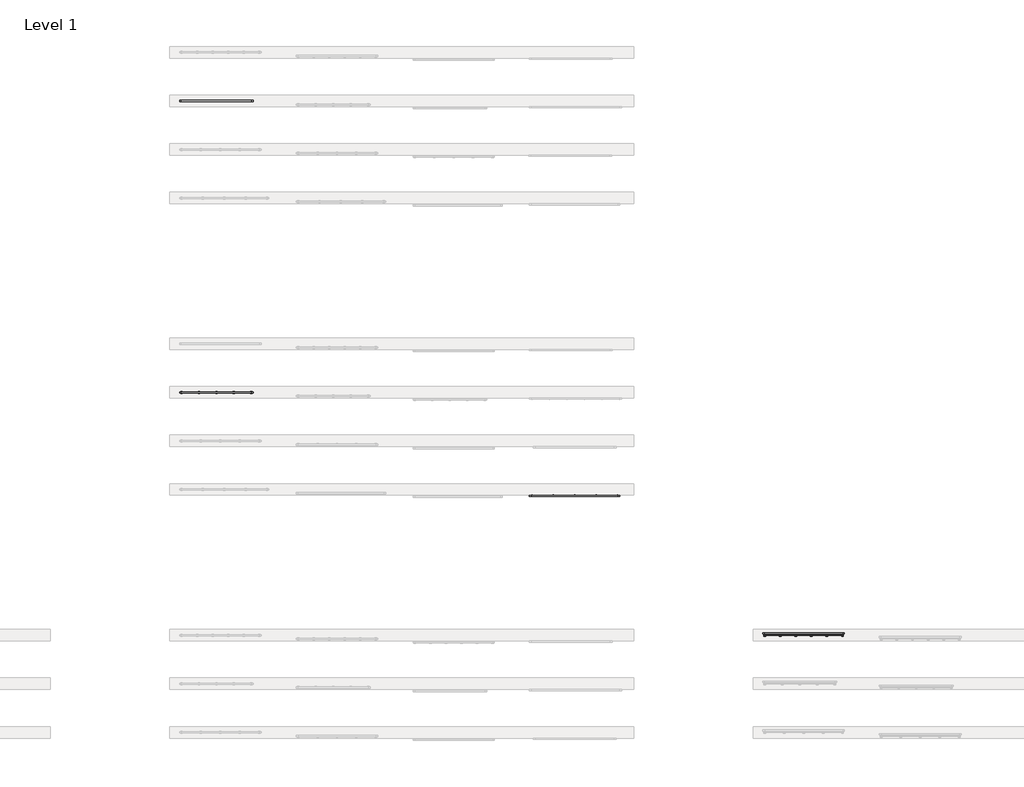
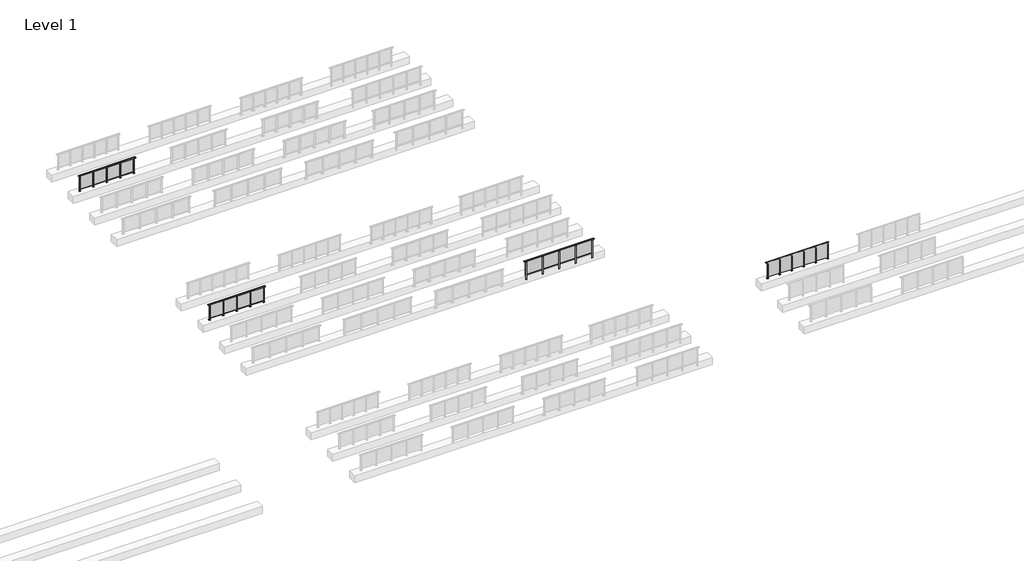
# One storey, part 23 of 37: 4 railings.
"""IFC4 building model written with IfcOpenShell, lengths in millimetres."""

from ifc_helpers import new_model, si_unit, point, frame, frame_2d, origin, origin_with_axes, place, context, project, spatial, polyline, circle_curve, trimmed, segment, composite_curve, outline, extrude, faceted_brep, element, save

model = new_model("IFC4")

# Units and contexts
model_context = context("Model", 3, world=origin())
ifc_project = project(units=[si_unit("LENGTHUNIT", "METRE", prefix="MILLI")], contexts=[model_context])

# Site, building, storey
site = spatial("IfcSite", under=ifc_project)
building = spatial("IfcBuilding", under=site)
storey = spatial("IfcBuildingStorey", under=building, Name="Level 1", Elevation=0.0)

# Railings
placement = place(None, origin())
element("IfcRailing", 1, at=placement, inside=storey, context=model_context, shape_type="SolidModel", body=[
    faceted_brep([(48027.0, 29897.6846828, 1055.0), (48027.0, 29897.6846828, 1100.0), (52427.0, 29897.6846828, 1100.0), (52427.0, 29897.6846828, 1055.0), (48027.0, 29837.6846828, 1055.0), (52427.0, 29837.6846828, 1055.0), (48027.0, 29837.6846828, 1100.0), (52427.0, 29837.6846828, 1100.0), (47899.5, 29897.6846828, 1100.0), (47899.5, 29897.6846828, 1055.0), (47899.5, 29837.6846828, 1055.0), (47899.5, 29837.6846828, 1100.0), (52554.5, 29897.6846828, 1100.0), (52554.5, 29837.6846828, 1100.0), (52554.5, 29837.6846828, 1055.0), (52554.5, 29897.6846828, 1055.0)], [[[0, 1, 2, 3]], [[4, 0, 3, 5]], [[6, 4, 5, 7]], [[1, 6, 7, 2]], [[8, 9, 10, 11]], [[9, 8, 1, 0]], [[10, 9, 0, 4]], [[11, 10, 4, 6]], [[8, 11, 6, 1]], [[12, 13, 14, 15]], [[3, 2, 12, 15]], [[5, 3, 15, 14]], [[7, 5, 14, 13]], [[2, 7, 13, 12]]]),
    extrude(outline(polyline([(48027.0, 29850.1846828), (48027.0, 29885.1846828), (52427.0, 29885.1846828), (52427.0, 29850.1846828), (48027.0, 29850.1846828)])), frame((0.0, 0.0, 95.0), z_axis=(0.0, 0.0, 1.0), x_axis=(1.0, 0.0, 0.0)), (0.0, 0.0, 1.0), 30.0),
    extrude(outline(polyline([(51337.0, 29861.9094929), (51337.0, 29871.9094929), (52417.0, 29871.9094929), (52417.0, 29861.9094929), (51337.0, 29861.9094929)])), frame((0.0, 0.0, 125.0), z_axis=(0.0, 0.0, 1.0), x_axis=(1.0, 0.0, 0.0)), (0.0, 0.0, 1.0), 930.0),
    extrude(outline(polyline([(51349.5, 29900.1846828), (51349.5, 29835.1846828), (51304.5, 29835.1846828), (51304.5, 29900.1846828), (51349.5, 29900.1846828)])), frame((0.0, 0.0, 1027.0), z_axis=(0.0, 0.0, 1.0), x_axis=(1.0, 0.0, 0.0)), (0.0, 0.0, 1.0), 8.0),
    extrude(outline(polyline([(51349.5, 29900.1846828), (51349.5, 29835.1846828), (51304.5, 29835.1846828), (51304.5, 29900.1846828), (51349.5, 29900.1846828)])), frame((0.0, 0.0, -212.0), z_axis=(0.0, 0.0, 1.0), x_axis=(1.0, 0.0, 0.0)), (0.0, 0.0, 1.0), 1239.0),
    extrude(outline(polyline([(51337.0, 29877.6846828), (51337.0, 29857.6846828), (51317.0, 29857.6846828), (51317.0, 29877.6846828), (51337.0, 29877.6846828)])), frame((0.0, 0.0, 1035.0), z_axis=(0.0, 0.0, 1.0), x_axis=(1.0, 0.0, 0.0)), (0.0, 0.0, 1.0), 20.0),
    extrude(outline(polyline([(51349.5, 29900.1846828), (51349.5, 29835.1846828), (51304.5, 29835.1846828), (51304.5, 29900.1846828), (51349.5, 29900.1846828)])), frame((0.0, 0.0, -220.0), z_axis=(0.0, 0.0, 1.0), x_axis=(1.0, 0.0, 0.0)), (0.0, 0.0, 1.0), 8.0),
    extrude(outline(polyline([(50237.0, 29861.9094929), (50237.0, 29871.9094929), (51317.0, 29871.9094929), (51317.0, 29861.9094929), (50237.0, 29861.9094929)])), frame((0.0, 0.0, 125.0), z_axis=(0.0, 0.0, 1.0), x_axis=(1.0, 0.0, 0.0)), (0.0, 0.0, 1.0), 930.0),
    extrude(outline(polyline([(50249.5, 29900.1846828), (50249.5, 29835.1846828), (50204.5, 29835.1846828), (50204.5, 29900.1846828), (50249.5, 29900.1846828)])), frame((0.0, 0.0, 1027.0), z_axis=(0.0, 0.0, 1.0), x_axis=(1.0, 0.0, 0.0)), (0.0, 0.0, 1.0), 8.0),
    extrude(outline(polyline([(50249.5, 29900.1846828), (50249.5, 29835.1846828), (50204.5, 29835.1846828), (50204.5, 29900.1846828), (50249.5, 29900.1846828)])), frame((0.0, 0.0, -212.0), z_axis=(0.0, 0.0, 1.0), x_axis=(1.0, 0.0, 0.0)), (0.0, 0.0, 1.0), 1239.0),
    extrude(outline(polyline([(50237.0, 29877.6846828), (50237.0, 29857.6846828), (50217.0, 29857.6846828), (50217.0, 29877.6846828), (50237.0, 29877.6846828)])), frame((0.0, 0.0, 1035.0), z_axis=(0.0, 0.0, 1.0), x_axis=(1.0, 0.0, 0.0)), (0.0, 0.0, 1.0), 20.0),
    extrude(outline(polyline([(50249.5, 29900.1846828), (50249.5, 29835.1846828), (50204.5, 29835.1846828), (50204.5, 29900.1846828), (50249.5, 29900.1846828)])), frame((0.0, 0.0, -220.0), z_axis=(0.0, 0.0, 1.0), x_axis=(1.0, 0.0, 0.0)), (0.0, 0.0, 1.0), 8.0),
    extrude(outline(polyline([(49137.0, 29861.9094929), (49137.0, 29871.9094929), (50217.0, 29871.9094929), (50217.0, 29861.9094929), (49137.0, 29861.9094929)])), frame((0.0, 0.0, 125.0), z_axis=(0.0, 0.0, 1.0), x_axis=(1.0, 0.0, 0.0)), (0.0, 0.0, 1.0), 930.0),
    extrude(outline(polyline([(49149.5, 29900.1846828), (49149.5, 29835.1846828), (49104.5, 29835.1846828), (49104.5, 29900.1846828), (49149.5, 29900.1846828)])), frame((0.0, 0.0, 1027.0), z_axis=(0.0, 0.0, 1.0), x_axis=(1.0, 0.0, 0.0)), (0.0, 0.0, 1.0), 8.0),
    extrude(outline(polyline([(49149.5, 29900.1846828), (49149.5, 29835.1846828), (49104.5, 29835.1846828), (49104.5, 29900.1846828), (49149.5, 29900.1846828)])), frame((0.0, 0.0, -212.0), z_axis=(0.0, 0.0, 1.0), x_axis=(1.0, 0.0, 0.0)), (0.0, 0.0, 1.0), 1239.0),
    extrude(outline(polyline([(49137.0, 29877.6846828), (49137.0, 29857.6846828), (49117.0, 29857.6846828), (49117.0, 29877.6846828), (49137.0, 29877.6846828)])), frame((0.0, 0.0, 1035.0), z_axis=(0.0, 0.0, 1.0), x_axis=(1.0, 0.0, 0.0)), (0.0, 0.0, 1.0), 20.0),
    extrude(outline(polyline([(49149.5, 29900.1846828), (49149.5, 29835.1846828), (49104.5, 29835.1846828), (49104.5, 29900.1846828), (49149.5, 29900.1846828)])), frame((0.0, 0.0, -220.0), z_axis=(0.0, 0.0, 1.0), x_axis=(1.0, 0.0, 0.0)), (0.0, 0.0, 1.0), 8.0),
    extrude(outline(polyline([(48037.0, 29861.9094929), (48037.0, 29871.9094929), (49117.0, 29871.9094929), (49117.0, 29861.9094929), (48037.0, 29861.9094929)])), frame((0.0, 0.0, 125.0), z_axis=(0.0, 0.0, 1.0), x_axis=(1.0, 0.0, 0.0)), (0.0, 0.0, 1.0), 930.0),
    extrude(outline(polyline([(52449.5, 29900.1846828), (52449.5, 29835.1846828), (52404.5, 29835.1846828), (52404.5, 29900.1846828), (52449.5, 29900.1846828)])), frame((0.0, 0.0, 1027.0), z_axis=(0.0, 0.0, 1.0), x_axis=(1.0, 0.0, 0.0)), (0.0, 0.0, 1.0), 8.0),
    extrude(outline(polyline([(52449.5, 29900.1846828), (52449.5, 29835.1846828), (52404.5, 29835.1846828), (52404.5, 29900.1846828), (52449.5, 29900.1846828)])), frame((0.0, 0.0, -212.0), z_axis=(0.0, 0.0, 1.0), x_axis=(1.0, 0.0, 0.0)), (0.0, 0.0, 1.0), 1239.0),
    extrude(outline(polyline([(52437.0, 29877.6846828), (52437.0, 29857.6846828), (52417.0, 29857.6846828), (52417.0, 29877.6846828), (52437.0, 29877.6846828)])), frame((0.0, 0.0, 1035.0), z_axis=(0.0, 0.0, 1.0), x_axis=(1.0, 0.0, 0.0)), (0.0, 0.0, 1.0), 20.0),
    extrude(outline(polyline([(52449.5, 29900.1846828), (52449.5, 29835.1846828), (52404.5, 29835.1846828), (52404.5, 29900.1846828), (52449.5, 29900.1846828)])), frame((0.0, 0.0, -220.0), z_axis=(0.0, 0.0, 1.0), x_axis=(1.0, 0.0, 0.0)), (0.0, 0.0, 1.0), 8.0),
    extrude(outline(polyline([(48049.5, 29900.1846828), (48049.5, 29835.1846828), (48004.5, 29835.1846828), (48004.5, 29900.1846828), (48049.5, 29900.1846828)])), frame((0.0, 0.0, 1027.0), z_axis=(0.0, 0.0, 1.0), x_axis=(1.0, 0.0, 0.0)), (0.0, 0.0, 1.0), 8.0),
    extrude(outline(polyline([(48049.5, 29900.1846828), (48049.5, 29835.1846828), (48004.5, 29835.1846828), (48004.5, 29900.1846828), (48049.5, 29900.1846828)])), frame((0.0, 0.0, -212.0), z_axis=(0.0, 0.0, 1.0), x_axis=(1.0, 0.0, 0.0)), (0.0, 0.0, 1.0), 1239.0),
    extrude(outline(polyline([(48037.0, 29877.6846828), (48037.0, 29857.6846828), (48017.0, 29857.6846828), (48017.0, 29877.6846828), (48037.0, 29877.6846828)])), frame((0.0, 0.0, 1035.0), z_axis=(0.0, 0.0, 1.0), x_axis=(1.0, 0.0, 0.0)), (0.0, 0.0, 1.0), 20.0),
    extrude(outline(polyline([(48049.5, 29900.1846828), (48049.5, 29835.1846828), (48004.5, 29835.1846828), (48004.5, 29900.1846828), (48049.5, 29900.1846828)])), frame((0.0, 0.0, -220.0), z_axis=(0.0, 0.0, 1.0), x_axis=(1.0, 0.0, 0.0)), (0.0, 0.0, 1.0), 8.0),
])
element("IfcRailing", 2, at=placement, inside=storey, context=model_context, shape_type="SolidModel", body=[
    faceted_brep([(30000.0, 35220.1846828, 1055.0), (30000.0, 35220.1846828, 1100.0), (33600.0, 35220.1846828, 1100.0), (33600.0, 35220.1846828, 1055.0), (30000.0, 35160.1846828, 1055.0), (33600.0, 35160.1846828, 1055.0), (30000.0, 35160.1846828, 1100.0), (33600.0, 35160.1846828, 1100.0), (29900.0, 35220.1846828, 1100.0), (29900.0, 35220.1846828, 1055.0), (29900.0, 35160.1846828, 1055.0), (29900.0, 35160.1846828, 1100.0), (33700.0, 35220.1846828, 1100.0), (33700.0, 35160.1846828, 1100.0), (33700.0, 35160.1846828, 1055.0), (33700.0, 35220.1846828, 1055.0)], [[[0, 1, 2, 3]], [[4, 0, 3, 5]], [[6, 4, 5, 7]], [[1, 6, 7, 2]], [[8, 9, 10, 11]], [[9, 8, 1, 0]], [[10, 9, 0, 4]], [[11, 10, 4, 6]], [[8, 11, 6, 1]], [[12, 13, 14, 15]], [[3, 2, 12, 15]], [[5, 3, 15, 14]], [[7, 5, 14, 13]], [[2, 7, 13, 12]]]),
    extrude(outline(polyline([(30000.0, 35172.6846828), (30000.0, 35207.6846828), (33600.0, 35207.6846828), (33600.0, 35172.6846828), (30000.0, 35172.6846828)])), frame((0.0, 0.0, 95.0), z_axis=(0.0, 0.0, 1.0), x_axis=(1.0, 0.0, 0.0)), (0.0, 0.0, 1.0), 30.0),
    extrude(outline(polyline([(32710.0, 35193.9598727), (33590.0, 35193.9598727), (33590.0, 35183.9598727), (32710.0, 35183.9598727), (32710.0, 35193.9598727)])), frame((0.0, 0.0, 125.0), z_axis=(0.0, 0.0, 1.0), x_axis=(1.0, 0.0, 0.0)), (0.0, 0.0, 1.0), 930.0),
    extrude(outline(polyline([(32710.0, 35180.1846828), (32690.0, 35180.1846828), (32690.0, 35200.1846828), (32710.0, 35200.1846828), (32710.0, 35180.1846828)])), frame((0.0, 0.0, 1035.0), z_axis=(0.0, 0.0, 1.0), x_axis=(1.0, 0.0, 0.0)), (0.0, 0.0, 1.0), 20.0),
    extrude(outline(polyline([(32722.5, 35157.6846828), (32677.5, 35157.6846828), (32677.5, 35222.6846828), (32722.5, 35222.6846828), (32722.5, 35157.6846828)])), frame((0.0, 0.0, 1027.0), z_axis=(0.0, 0.0, 1.0), x_axis=(1.0, 0.0, 0.0)), (0.0, 0.0, 1.0), 8.0),
    extrude(outline(polyline([(32750.0, 35140.1846828), (32650.0, 35140.1846828), (32650.0, 35240.1846828), (32750.0, 35240.1846828), (32750.0, 35140.1846828)])), origin_with_axes(), (0.0, 0.0, 1.0), 12.0),
    extrude(outline(polyline([(32722.5, 35157.6846828), (32677.5, 35157.6846828), (32677.5, 35222.6846828), (32722.5, 35222.6846828), (32722.5, 35157.6846828)])), frame((0.0, 0.0, 12.0), z_axis=(0.0, 0.0, 1.0), x_axis=(1.0, 0.0, 0.0)), (0.0, 0.0, 1.0), 1015.0),
    extrude(outline(polyline([(31810.0, 35193.9598727), (32690.0, 35193.9598727), (32690.0, 35183.9598727), (31810.0, 35183.9598727), (31810.0, 35193.9598727)])), frame((0.0, 0.0, 125.0), z_axis=(0.0, 0.0, 1.0), x_axis=(1.0, 0.0, 0.0)), (0.0, 0.0, 1.0), 930.0),
    extrude(outline(polyline([(31810.0, 35180.1846828), (31790.0, 35180.1846828), (31790.0, 35200.1846828), (31810.0, 35200.1846828), (31810.0, 35180.1846828)])), frame((0.0, 0.0, 1035.0), z_axis=(0.0, 0.0, 1.0), x_axis=(1.0, 0.0, 0.0)), (0.0, 0.0, 1.0), 20.0),
    extrude(outline(polyline([(31822.5, 35157.6846828), (31777.5, 35157.6846828), (31777.5, 35222.6846828), (31822.5, 35222.6846828), (31822.5, 35157.6846828)])), frame((0.0, 0.0, 1027.0), z_axis=(0.0, 0.0, 1.0), x_axis=(1.0, 0.0, 0.0)), (0.0, 0.0, 1.0), 8.0),
    extrude(outline(polyline([(31850.0, 35140.1846828), (31750.0, 35140.1846828), (31750.0, 35240.1846828), (31850.0, 35240.1846828), (31850.0, 35140.1846828)])), origin_with_axes(), (0.0, 0.0, 1.0), 12.0),
    extrude(outline(polyline([(31822.5, 35157.6846828), (31777.5, 35157.6846828), (31777.5, 35222.6846828), (31822.5, 35222.6846828), (31822.5, 35157.6846828)])), frame((0.0, 0.0, 12.0), z_axis=(0.0, 0.0, 1.0), x_axis=(1.0, 0.0, 0.0)), (0.0, 0.0, 1.0), 1015.0),
    extrude(outline(polyline([(30910.0, 35193.9598727), (31790.0, 35193.9598727), (31790.0, 35183.9598727), (30910.0, 35183.9598727), (30910.0, 35193.9598727)])), frame((0.0, 0.0, 125.0), z_axis=(0.0, 0.0, 1.0), x_axis=(1.0, 0.0, 0.0)), (0.0, 0.0, 1.0), 930.0),
    extrude(outline(polyline([(30910.0, 35180.1846828), (30890.0, 35180.1846828), (30890.0, 35200.1846828), (30910.0, 35200.1846828), (30910.0, 35180.1846828)])), frame((0.0, 0.0, 1035.0), z_axis=(0.0, 0.0, 1.0), x_axis=(1.0, 0.0, 0.0)), (0.0, 0.0, 1.0), 20.0),
    extrude(outline(polyline([(30922.5, 35157.6846828), (30877.5, 35157.6846828), (30877.5, 35222.6846828), (30922.5, 35222.6846828), (30922.5, 35157.6846828)])), frame((0.0, 0.0, 1027.0), z_axis=(0.0, 0.0, 1.0), x_axis=(1.0, 0.0, 0.0)), (0.0, 0.0, 1.0), 8.0),
    extrude(outline(polyline([(30950.0, 35140.1846828), (30850.0, 35140.1846828), (30850.0, 35240.1846828), (30950.0, 35240.1846828), (30950.0, 35140.1846828)])), origin_with_axes(), (0.0, 0.0, 1.0), 12.0),
    extrude(outline(polyline([(30922.5, 35157.6846828), (30877.5, 35157.6846828), (30877.5, 35222.6846828), (30922.5, 35222.6846828), (30922.5, 35157.6846828)])), frame((0.0, 0.0, 12.0), z_axis=(0.0, 0.0, 1.0), x_axis=(1.0, 0.0, 0.0)), (0.0, 0.0, 1.0), 1015.0),
    extrude(outline(polyline([(30010.0, 35193.9598727), (30890.0, 35193.9598727), (30890.0, 35183.9598727), (30010.0, 35183.9598727), (30010.0, 35193.9598727)])), frame((0.0, 0.0, 125.0), z_axis=(0.0, 0.0, 1.0), x_axis=(1.0, 0.0, 0.0)), (0.0, 0.0, 1.0), 930.0),
    extrude(outline(polyline([(33610.0, 35180.1846828), (33590.0, 35180.1846828), (33590.0, 35200.1846828), (33610.0, 35200.1846828), (33610.0, 35180.1846828)])), frame((0.0, 0.0, 1035.0), z_axis=(0.0, 0.0, 1.0), x_axis=(1.0, 0.0, 0.0)), (0.0, 0.0, 1.0), 20.0),
    extrude(outline(polyline([(33622.5, 35157.6846828), (33577.5, 35157.6846828), (33577.5, 35222.6846828), (33622.5, 35222.6846828), (33622.5, 35157.6846828)])), frame((0.0, 0.0, 1027.0), z_axis=(0.0, 0.0, 1.0), x_axis=(1.0, 0.0, 0.0)), (0.0, 0.0, 1.0), 8.0),
    extrude(outline(polyline([(33650.0, 35140.1846828), (33550.0, 35140.1846828), (33550.0, 35240.1846828), (33650.0, 35240.1846828), (33650.0, 35140.1846828)])), origin_with_axes(), (0.0, 0.0, 1.0), 12.0),
    extrude(outline(polyline([(33622.5, 35157.6846828), (33577.5, 35157.6846828), (33577.5, 35222.6846828), (33622.5, 35222.6846828), (33622.5, 35157.6846828)])), frame((0.0, 0.0, 12.0), z_axis=(0.0, 0.0, 1.0), x_axis=(1.0, 0.0, 0.0)), (0.0, 0.0, 1.0), 1015.0),
    extrude(outline(polyline([(30010.0, 35180.1846828), (29990.0, 35180.1846828), (29990.0, 35200.1846828), (30010.0, 35200.1846828), (30010.0, 35180.1846828)])), frame((0.0, 0.0, 1035.0), z_axis=(0.0, 0.0, 1.0), x_axis=(1.0, 0.0, 0.0)), (0.0, 0.0, 1.0), 20.0),
    extrude(outline(polyline([(30022.5, 35157.6846828), (29977.5, 35157.6846828), (29977.5, 35222.6846828), (30022.5, 35222.6846828), (30022.5, 35157.6846828)])), frame((0.0, 0.0, 1027.0), z_axis=(0.0, 0.0, 1.0), x_axis=(1.0, 0.0, 0.0)), (0.0, 0.0, 1.0), 8.0),
    extrude(outline(polyline([(30050.0, 35140.1846828), (29950.0, 35140.1846828), (29950.0, 35240.1846828), (30050.0, 35240.1846828), (30050.0, 35140.1846828)])), origin_with_axes(), (0.0, 0.0, 1.0), 12.0),
    extrude(outline(polyline([(30022.5, 35157.6846828), (29977.5, 35157.6846828), (29977.5, 35222.6846828), (30022.5, 35222.6846828), (30022.5, 35157.6846828)])), frame((0.0, 0.0, 12.0), z_axis=(0.0, 0.0, 1.0), x_axis=(1.0, 0.0, 0.0)), (0.0, 0.0, 1.0), 1015.0),
])
element("IfcRailing", 3, at=placement, inside=storey, context=model_context, shape_type="SolidModel", body=[
    faceted_brep([(30000.0, 50220.1846828, 1055.0), (30000.0, 50220.1846828, 1100.0), (33600.0, 50220.1846828, 1100.0), (33600.0, 50220.1846828, 1055.0), (30000.0, 50160.1846828, 1055.0), (33600.0, 50160.1846828, 1055.0), (30000.0, 50160.1846828, 1100.0), (33600.0, 50160.1846828, 1100.0), (29900.0, 50220.1846828, 1100.0), (29900.0, 50220.1846828, 1055.0), (29900.0, 50160.1846828, 1055.0), (29900.0, 50160.1846828, 1100.0), (33700.0, 50220.1846828, 1100.0), (33700.0, 50160.1846828, 1100.0), (33700.0, 50160.1846828, 1055.0), (33700.0, 50220.1846828, 1055.0)], [[[0, 1, 2, 3]], [[4, 0, 3, 5]], [[6, 4, 5, 7]], [[1, 6, 7, 2]], [[8, 9, 10, 11]], [[9, 8, 1, 0]], [[10, 9, 0, 4]], [[11, 10, 4, 6]], [[8, 11, 6, 1]], [[12, 13, 14, 15]], [[3, 2, 12, 15]], [[5, 3, 15, 14]], [[7, 5, 14, 13]], [[2, 7, 13, 12]]]),
    extrude(outline(polyline([(30000.0, 50172.6846828), (30000.0, 50207.6846828), (33600.0, 50207.6846828), (33600.0, 50172.6846828), (30000.0, 50172.6846828)])), frame((0.0, 0.0, 95.0), z_axis=(0.0, 0.0, 1.0), x_axis=(1.0, 0.0, 0.0)), (0.0, 0.0, 1.0), 30.0),
    extrude(outline(polyline([(32772.5, 50191.9598727), (33527.5, 50191.9598727), (33527.5, 50185.9598727), (32772.5, 50185.9598727), (32772.5, 50191.9598727)])), frame((0.0, 0.0, 125.0), z_axis=(0.0, 0.0, 1.0), x_axis=(1.0, 0.0, 0.0)), (0.0, 0.0, 1.0), 930.0),
    extrude(outline(polyline([(32710.0, 50180.1846828), (32690.0, 50180.1846828), (32690.0, 50200.1846828), (32710.0, 50200.1846828), (32710.0, 50180.1846828)])), frame((0.0, 0.0, 1035.0), z_axis=(0.0, 0.0, 1.0), x_axis=(1.0, 0.0, 0.0)), (0.0, 0.0, 1.0), 20.0),
    extrude(outline(polyline([(32722.5, 50157.6846828), (32677.5, 50157.6846828), (32677.5, 50222.6846828), (32722.5, 50222.6846828), (32722.5, 50157.6846828)])), frame((0.0, 0.0, 1027.0), z_axis=(0.0, 0.0, 1.0), x_axis=(1.0, 0.0, 0.0)), (0.0, 0.0, 1.0), 8.0),
    extrude(outline(polyline([(32750.0, 50140.1846828), (32650.0, 50140.1846828), (32650.0, 50240.1846828), (32750.0, 50240.1846828), (32750.0, 50140.1846828)])), origin_with_axes(), (0.0, 0.0, 1.0), 12.0),
    extrude(outline(polyline([(32722.5, 50157.6846828), (32677.5, 50157.6846828), (32677.5, 50222.6846828), (32722.5, 50222.6846828), (32722.5, 50157.6846828)])), frame((0.0, 0.0, 12.0), z_axis=(0.0, 0.0, 1.0), x_axis=(1.0, 0.0, 0.0)), (0.0, 0.0, 1.0), 1015.0),
    extrude(outline(polyline([(31872.5, 50191.9598727), (32627.5, 50191.9598727), (32627.5, 50185.9598727), (31872.5, 50185.9598727), (31872.5, 50191.9598727)])), frame((0.0, 0.0, 125.0), z_axis=(0.0, 0.0, 1.0), x_axis=(1.0, 0.0, 0.0)), (0.0, 0.0, 1.0), 930.0),
    extrude(outline(polyline([(31810.0, 50180.1846828), (31790.0, 50180.1846828), (31790.0, 50200.1846828), (31810.0, 50200.1846828), (31810.0, 50180.1846828)])), frame((0.0, 0.0, 1035.0), z_axis=(0.0, 0.0, 1.0), x_axis=(1.0, 0.0, 0.0)), (0.0, 0.0, 1.0), 20.0),
    extrude(outline(polyline([(31822.5, 50157.6846828), (31777.5, 50157.6846828), (31777.5, 50222.6846828), (31822.5, 50222.6846828), (31822.5, 50157.6846828)])), frame((0.0, 0.0, 1027.0), z_axis=(0.0, 0.0, 1.0), x_axis=(1.0, 0.0, 0.0)), (0.0, 0.0, 1.0), 8.0),
    extrude(outline(polyline([(31850.0, 50140.1846828), (31750.0, 50140.1846828), (31750.0, 50240.1846828), (31850.0, 50240.1846828), (31850.0, 50140.1846828)])), origin_with_axes(), (0.0, 0.0, 1.0), 12.0),
    extrude(outline(polyline([(31822.5, 50157.6846828), (31777.5, 50157.6846828), (31777.5, 50222.6846828), (31822.5, 50222.6846828), (31822.5, 50157.6846828)])), frame((0.0, 0.0, 12.0), z_axis=(0.0, 0.0, 1.0), x_axis=(1.0, 0.0, 0.0)), (0.0, 0.0, 1.0), 1015.0),
    extrude(outline(polyline([(30972.5, 50191.9598727), (31727.5, 50191.9598727), (31727.5, 50185.9598727), (30972.5, 50185.9598727), (30972.5, 50191.9598727)])), frame((0.0, 0.0, 125.0), z_axis=(0.0, 0.0, 1.0), x_axis=(1.0, 0.0, 0.0)), (0.0, 0.0, 1.0), 930.0),
    extrude(outline(polyline([(30910.0, 50180.1846828), (30890.0, 50180.1846828), (30890.0, 50200.1846828), (30910.0, 50200.1846828), (30910.0, 50180.1846828)])), frame((0.0, 0.0, 1035.0), z_axis=(0.0, 0.0, 1.0), x_axis=(1.0, 0.0, 0.0)), (0.0, 0.0, 1.0), 20.0),
    extrude(outline(polyline([(30922.5, 50157.6846828), (30877.5, 50157.6846828), (30877.5, 50222.6846828), (30922.5, 50222.6846828), (30922.5, 50157.6846828)])), frame((0.0, 0.0, 1027.0), z_axis=(0.0, 0.0, 1.0), x_axis=(1.0, 0.0, 0.0)), (0.0, 0.0, 1.0), 8.0),
    extrude(outline(polyline([(30950.0, 50140.1846828), (30850.0, 50140.1846828), (30850.0, 50240.1846828), (30950.0, 50240.1846828), (30950.0, 50140.1846828)])), origin_with_axes(), (0.0, 0.0, 1.0), 12.0),
    extrude(outline(polyline([(30922.5, 50157.6846828), (30877.5, 50157.6846828), (30877.5, 50222.6846828), (30922.5, 50222.6846828), (30922.5, 50157.6846828)])), frame((0.0, 0.0, 12.0), z_axis=(0.0, 0.0, 1.0), x_axis=(1.0, 0.0, 0.0)), (0.0, 0.0, 1.0), 1015.0),
    extrude(outline(polyline([(30072.5, 50191.9598727), (30827.5, 50191.9598727), (30827.5, 50185.9598727), (30072.5, 50185.9598727), (30072.5, 50191.9598727)])), frame((0.0, 0.0, 125.0), z_axis=(0.0, 0.0, 1.0), x_axis=(1.0, 0.0, 0.0)), (0.0, 0.0, 1.0), 930.0),
    extrude(outline(polyline([(33610.0, 50180.1846828), (33590.0, 50180.1846828), (33590.0, 50200.1846828), (33610.0, 50200.1846828), (33610.0, 50180.1846828)])), frame((0.0, 0.0, 1035.0), z_axis=(0.0, 0.0, 1.0), x_axis=(1.0, 0.0, 0.0)), (0.0, 0.0, 1.0), 20.0),
    extrude(outline(polyline([(33622.5, 50157.6846828), (33577.5, 50157.6846828), (33577.5, 50222.6846828), (33622.5, 50222.6846828), (33622.5, 50157.6846828)])), frame((0.0, 0.0, 1027.0), z_axis=(0.0, 0.0, 1.0), x_axis=(1.0, 0.0, 0.0)), (0.0, 0.0, 1.0), 8.0),
    extrude(outline(polyline([(33650.0, 50140.1846828), (33550.0, 50140.1846828), (33550.0, 50240.1846828), (33650.0, 50240.1846828), (33650.0, 50140.1846828)])), origin_with_axes(), (0.0, 0.0, 1.0), 12.0),
    extrude(outline(polyline([(33622.5, 50157.6846828), (33577.5, 50157.6846828), (33577.5, 50222.6846828), (33622.5, 50222.6846828), (33622.5, 50157.6846828)])), frame((0.0, 0.0, 12.0), z_axis=(0.0, 0.0, 1.0), x_axis=(1.0, 0.0, 0.0)), (0.0, 0.0, 1.0), 1015.0),
    extrude(outline(polyline([(30010.0, 50180.1846828), (29990.0, 50180.1846828), (29990.0, 50200.1846828), (30010.0, 50200.1846828), (30010.0, 50180.1846828)])), frame((0.0, 0.0, 1035.0), z_axis=(0.0, 0.0, 1.0), x_axis=(1.0, 0.0, 0.0)), (0.0, 0.0, 1.0), 20.0),
    extrude(outline(polyline([(30022.5, 50157.6846828), (29977.5, 50157.6846828), (29977.5, 50222.6846828), (30022.5, 50222.6846828), (30022.5, 50157.6846828)])), frame((0.0, 0.0, 1027.0), z_axis=(0.0, 0.0, 1.0), x_axis=(1.0, 0.0, 0.0)), (0.0, 0.0, 1.0), 8.0),
    extrude(outline(polyline([(30050.0, 50140.1846828), (29950.0, 50140.1846828), (29950.0, 50240.1846828), (30050.0, 50240.1846828), (30050.0, 50140.1846828)])), origin_with_axes(), (0.0, 0.0, 1.0), 12.0),
    extrude(outline(polyline([(30022.5, 50157.6846828), (29977.5, 50157.6846828), (29977.5, 50222.6846828), (30022.5, 50222.6846828), (30022.5, 50157.6846828)])), frame((0.0, 0.0, 12.0), z_axis=(0.0, 0.0, 1.0), x_axis=(1.0, 0.0, 0.0)), (0.0, 0.0, 1.0), 1015.0),
])
element("IfcRailing", 4, at=placement, inside=storey, context=model_context, shape_type="SolidModel", body=[
    faceted_brep([(60000.0, 22815.6846828, 1085.0), (60000.0, 22815.6846828, 1100.0), (64000.0, 22815.6846828, 1100.0), (64000.0, 22815.6846828, 1085.0), (60000.0, 22755.6846828, 1085.0), (64000.0, 22755.6846828, 1085.0), (60000.0, 22755.6846828, 1100.0), (64000.0, 22755.6846828, 1100.0), (59900.0, 22815.6846828, 1100.0), (59900.0, 22815.6846828, 1085.0), (59900.0, 22755.6846828, 1085.0), (59900.0, 22755.6846828, 1100.0), (64100.0, 22815.6846828, 1100.0), (64100.0, 22755.6846828, 1100.0), (64100.0, 22755.6846828, 1085.0), (64100.0, 22815.6846828, 1085.0)], [[[0, 1, 2, 3]], [[4, 0, 3, 5]], [[6, 4, 5, 7]], [[1, 6, 7, 2]], [[8, 9, 10, 11]], [[9, 8, 1, 0]], [[10, 9, 0, 4]], [[11, 10, 4, 6]], [[8, 11, 6, 1]], [[12, 13, 14, 15]], [[3, 2, 12, 15]], [[5, 3, 15, 14]], [[7, 5, 14, 13]], [[2, 7, 13, 12]]]),
    extrude(outline(polyline([(63210.0, 22684.4094929), (63210.0, 22694.4094929), (63990.0, 22694.4094929), (63990.0, 22684.4094929), (63210.0, 22684.4094929)])), frame((0.0, 0.0, 95.0), z_axis=(0.0, 0.0, 1.0), x_axis=(1.0, 0.0, 0.0)), (0.0, 0.0, 1.0), 1055.0),
    extrude(outline(composite_curve([segment(polyline([(22810.6846828, 1085.0), (22810.6846828, 1060.900037)]), True, "CONTINUOUS"), segment(trimmed(circle_curve(frame_2d((22800.6846828, 1060.900037)), 10.0), [point((22810.6846828, 1060.900037))], [point((22803.2728733, 1051.2407787))], False, "CARTESIAN"), True, "CONTINUOUS"), segment(polyline([(22803.2728733, 1051.2407787), (22746.2244733, 1035.9547061)]), True, "CONTINUOUS"), segment(trimmed(circle_curve(frame_2d((22748.8126638, 1026.2954478)), 10.0), [point((22746.2244733, 1035.9547061))], [point((22738.8982152, 1027.6007097))], True, "CARTESIAN"), True, "CONTINUOUS"), segment(polyline([(22738.8982152, 1027.6007097), (22734.291393, 992.6084214)]), True, "CONTINUOUS"), segment(trimmed(circle_curve(frame_2d((22731.3170584, 993.0)), 3.0), [point((22734.291393, 992.6084214))], [point((22731.3170584, 990.0))], False, "CARTESIAN"), True, "CONTINUOUS"), segment(polyline([(22731.3170584, 990.0), (22722.6846828, 990.0), (22722.6846828, 1040.0), (22786.6846828, 1057.1487483), (22786.6846828, 1085.0), (22810.6846828, 1085.0)]), True, "CONTINUOUS")], self_intersect=False)), frame((63187.5, 0.0, 0.0), z_axis=(1.0, 0.0, 0.0), x_axis=(0.0, 1.0, 0.0)), (0.0, 0.0, 1.0), 25.0),
    extrude(outline(polyline([(63222.5, 22722.6846828), (63222.5, 22657.6846828), (63177.5, 22657.6846828), (63177.5, 22722.6846828), (63222.5, 22722.6846828)])), frame((0.0, 0.0, 1040.0), z_axis=(0.0, 0.0, 1.0), x_axis=(1.0, 0.0, 0.0)), (0.0, 0.0, 1.0), 5.0),
    extrude(outline(polyline([(63250.0, 22740.1846828), (63250.0, 22640.1846828), (63150.0, 22640.1846828), (63150.0, 22740.1846828), (63250.0, 22740.1846828)])), origin_with_axes(), (0.0, 0.0, 1.0), 12.0),
    extrude(outline(polyline([(63222.5, 22722.6846828), (63222.5, 22657.6846828), (63177.5, 22657.6846828), (63177.5, 22722.6846828), (63222.5, 22722.6846828)])), frame((0.0, 0.0, 12.0), z_axis=(0.0, 0.0, 1.0), x_axis=(1.0, 0.0, 0.0)), (0.0, 0.0, 1.0), 1028.0),
    extrude(outline(polyline([(62410.0, 22684.4094929), (62410.0, 22694.4094929), (63190.0, 22694.4094929), (63190.0, 22684.4094929), (62410.0, 22684.4094929)])), frame((0.0, 0.0, 95.0), z_axis=(0.0, 0.0, 1.0), x_axis=(1.0, 0.0, 0.0)), (0.0, 0.0, 1.0), 1055.0),
    extrude(outline(composite_curve([segment(polyline([(22810.6846828, 1085.0), (22810.6846828, 1060.900037)]), True, "CONTINUOUS"), segment(trimmed(circle_curve(frame_2d((22800.6846828, 1060.900037)), 10.0), [point((22810.6846828, 1060.900037))], [point((22803.2728733, 1051.2407787))], False, "CARTESIAN"), True, "CONTINUOUS"), segment(polyline([(22803.2728733, 1051.2407787), (22746.2244733, 1035.9547061)]), True, "CONTINUOUS"), segment(trimmed(circle_curve(frame_2d((22748.8126638, 1026.2954478)), 10.0), [point((22746.2244733, 1035.9547061))], [point((22738.8982152, 1027.6007097))], True, "CARTESIAN"), True, "CONTINUOUS"), segment(polyline([(22738.8982152, 1027.6007097), (22734.291393, 992.6084214)]), True, "CONTINUOUS"), segment(trimmed(circle_curve(frame_2d((22731.3170584, 993.0)), 3.0), [point((22734.291393, 992.6084214))], [point((22731.3170584, 990.0))], False, "CARTESIAN"), True, "CONTINUOUS"), segment(polyline([(22731.3170584, 990.0), (22722.6846828, 990.0), (22722.6846828, 1040.0), (22786.6846828, 1057.1487483), (22786.6846828, 1085.0), (22810.6846828, 1085.0)]), True, "CONTINUOUS")], self_intersect=False)), frame((62387.5, 0.0, 0.0), z_axis=(1.0, 0.0, 0.0), x_axis=(0.0, 1.0, 0.0)), (0.0, 0.0, 1.0), 25.0),
    extrude(outline(polyline([(62422.5, 22722.6846828), (62422.5, 22657.6846828), (62377.5, 22657.6846828), (62377.5, 22722.6846828), (62422.5, 22722.6846828)])), frame((0.0, 0.0, 1040.0), z_axis=(0.0, 0.0, 1.0), x_axis=(1.0, 0.0, 0.0)), (0.0, 0.0, 1.0), 5.0),
    extrude(outline(polyline([(62450.0, 22740.1846828), (62450.0, 22640.1846828), (62350.0, 22640.1846828), (62350.0, 22740.1846828), (62450.0, 22740.1846828)])), origin_with_axes(), (0.0, 0.0, 1.0), 12.0),
    extrude(outline(polyline([(62422.5, 22722.6846828), (62422.5, 22657.6846828), (62377.5, 22657.6846828), (62377.5, 22722.6846828), (62422.5, 22722.6846828)])), frame((0.0, 0.0, 12.0), z_axis=(0.0, 0.0, 1.0), x_axis=(1.0, 0.0, 0.0)), (0.0, 0.0, 1.0), 1028.0),
    extrude(outline(polyline([(61610.0, 22684.4094929), (61610.0, 22694.4094929), (62390.0, 22694.4094929), (62390.0, 22684.4094929), (61610.0, 22684.4094929)])), frame((0.0, 0.0, 95.0), z_axis=(0.0, 0.0, 1.0), x_axis=(1.0, 0.0, 0.0)), (0.0, 0.0, 1.0), 1055.0),
    extrude(outline(composite_curve([segment(polyline([(22810.6846828, 1085.0), (22810.6846828, 1060.900037)]), True, "CONTINUOUS"), segment(trimmed(circle_curve(frame_2d((22800.6846828, 1060.900037)), 10.0), [point((22810.6846828, 1060.900037))], [point((22803.2728733, 1051.2407787))], False, "CARTESIAN"), True, "CONTINUOUS"), segment(polyline([(22803.2728733, 1051.2407787), (22746.2244733, 1035.9547061)]), True, "CONTINUOUS"), segment(trimmed(circle_curve(frame_2d((22748.8126638, 1026.2954478)), 10.0), [point((22746.2244733, 1035.9547061))], [point((22738.8982152, 1027.6007097))], True, "CARTESIAN"), True, "CONTINUOUS"), segment(polyline([(22738.8982152, 1027.6007097), (22734.291393, 992.6084214)]), True, "CONTINUOUS"), segment(trimmed(circle_curve(frame_2d((22731.3170584, 993.0)), 3.0), [point((22734.291393, 992.6084214))], [point((22731.3170584, 990.0))], False, "CARTESIAN"), True, "CONTINUOUS"), segment(polyline([(22731.3170584, 990.0), (22722.6846828, 990.0), (22722.6846828, 1040.0), (22786.6846828, 1057.1487483), (22786.6846828, 1085.0), (22810.6846828, 1085.0)]), True, "CONTINUOUS")], self_intersect=False)), frame((61587.5, 0.0, 0.0), z_axis=(1.0, 0.0, 0.0), x_axis=(0.0, 1.0, 0.0)), (0.0, 0.0, 1.0), 25.0),
    extrude(outline(polyline([(61622.5, 22722.6846828), (61622.5, 22657.6846828), (61577.5, 22657.6846828), (61577.5, 22722.6846828), (61622.5, 22722.6846828)])), frame((0.0, 0.0, 1040.0), z_axis=(0.0, 0.0, 1.0), x_axis=(1.0, 0.0, 0.0)), (0.0, 0.0, 1.0), 5.0),
    extrude(outline(polyline([(61650.0, 22740.1846828), (61650.0, 22640.1846828), (61550.0, 22640.1846828), (61550.0, 22740.1846828), (61650.0, 22740.1846828)])), origin_with_axes(), (0.0, 0.0, 1.0), 12.0),
    extrude(outline(polyline([(61622.5, 22722.6846828), (61622.5, 22657.6846828), (61577.5, 22657.6846828), (61577.5, 22722.6846828), (61622.5, 22722.6846828)])), frame((0.0, 0.0, 12.0), z_axis=(0.0, 0.0, 1.0), x_axis=(1.0, 0.0, 0.0)), (0.0, 0.0, 1.0), 1028.0),
    extrude(outline(polyline([(60810.0, 22684.4094929), (60810.0, 22694.4094929), (61590.0, 22694.4094929), (61590.0, 22684.4094929), (60810.0, 22684.4094929)])), frame((0.0, 0.0, 95.0), z_axis=(0.0, 0.0, 1.0), x_axis=(1.0, 0.0, 0.0)), (0.0, 0.0, 1.0), 1055.0),
    extrude(outline(composite_curve([segment(polyline([(22810.6846828, 1085.0), (22810.6846828, 1060.900037)]), True, "CONTINUOUS"), segment(trimmed(circle_curve(frame_2d((22800.6846828, 1060.900037)), 10.0), [point((22810.6846828, 1060.900037))], [point((22803.2728733, 1051.2407787))], False, "CARTESIAN"), True, "CONTINUOUS"), segment(polyline([(22803.2728733, 1051.2407787), (22746.2244733, 1035.9547061)]), True, "CONTINUOUS"), segment(trimmed(circle_curve(frame_2d((22748.8126638, 1026.2954478)), 10.0), [point((22746.2244733, 1035.9547061))], [point((22738.8982152, 1027.6007097))], True, "CARTESIAN"), True, "CONTINUOUS"), segment(polyline([(22738.8982152, 1027.6007097), (22734.291393, 992.6084214)]), True, "CONTINUOUS"), segment(trimmed(circle_curve(frame_2d((22731.3170584, 993.0)), 3.0), [point((22734.291393, 992.6084214))], [point((22731.3170584, 990.0))], False, "CARTESIAN"), True, "CONTINUOUS"), segment(polyline([(22731.3170584, 990.0), (22722.6846828, 990.0), (22722.6846828, 1040.0), (22786.6846828, 1057.1487483), (22786.6846828, 1085.0), (22810.6846828, 1085.0)]), True, "CONTINUOUS")], self_intersect=False)), frame((60787.5, 0.0, 0.0), z_axis=(1.0, 0.0, 0.0), x_axis=(0.0, 1.0, 0.0)), (0.0, 0.0, 1.0), 25.0),
    extrude(outline(polyline([(60822.5, 22722.6846828), (60822.5, 22657.6846828), (60777.5, 22657.6846828), (60777.5, 22722.6846828), (60822.5, 22722.6846828)])), frame((0.0, 0.0, 1040.0), z_axis=(0.0, 0.0, 1.0), x_axis=(1.0, 0.0, 0.0)), (0.0, 0.0, 1.0), 5.0),
    extrude(outline(polyline([(60850.0, 22740.1846828), (60850.0, 22640.1846828), (60750.0, 22640.1846828), (60750.0, 22740.1846828), (60850.0, 22740.1846828)])), origin_with_axes(), (0.0, 0.0, 1.0), 12.0),
    extrude(outline(polyline([(60822.5, 22722.6846828), (60822.5, 22657.6846828), (60777.5, 22657.6846828), (60777.5, 22722.6846828), (60822.5, 22722.6846828)])), frame((0.0, 0.0, 12.0), z_axis=(0.0, 0.0, 1.0), x_axis=(1.0, 0.0, 0.0)), (0.0, 0.0, 1.0), 1028.0),
    extrude(outline(polyline([(60010.0, 22684.4094929), (60010.0, 22694.4094929), (60790.0, 22694.4094929), (60790.0, 22684.4094929), (60010.0, 22684.4094929)])), frame((0.0, 0.0, 95.0), z_axis=(0.0, 0.0, 1.0), x_axis=(1.0, 0.0, 0.0)), (0.0, 0.0, 1.0), 1055.0),
    extrude(outline(composite_curve([segment(polyline([(22810.6846828, 1085.0), (22810.6846828, 1060.900037)]), True, "CONTINUOUS"), segment(trimmed(circle_curve(frame_2d((22800.6846828, 1060.900037)), 10.0), [point((22810.6846828, 1060.900037))], [point((22803.2728733, 1051.2407787))], False, "CARTESIAN"), True, "CONTINUOUS"), segment(polyline([(22803.2728733, 1051.2407787), (22746.2244733, 1035.9547061)]), True, "CONTINUOUS"), segment(trimmed(circle_curve(frame_2d((22748.8126638, 1026.2954478)), 10.0), [point((22746.2244733, 1035.9547061))], [point((22738.8982152, 1027.6007097))], True, "CARTESIAN"), True, "CONTINUOUS"), segment(polyline([(22738.8982152, 1027.6007097), (22734.291393, 992.6084214)]), True, "CONTINUOUS"), segment(trimmed(circle_curve(frame_2d((22731.3170584, 993.0)), 3.0), [point((22734.291393, 992.6084214))], [point((22731.3170584, 990.0))], False, "CARTESIAN"), True, "CONTINUOUS"), segment(polyline([(22731.3170584, 990.0), (22722.6846828, 990.0), (22722.6846828, 1040.0), (22786.6846828, 1057.1487483), (22786.6846828, 1085.0), (22810.6846828, 1085.0)]), True, "CONTINUOUS")], self_intersect=False)), frame((63987.5, 0.0, 0.0), z_axis=(1.0, 0.0, 0.0), x_axis=(0.0, 1.0, 0.0)), (0.0, 0.0, 1.0), 25.0),
    extrude(outline(polyline([(64022.5, 22722.6846828), (64022.5, 22657.6846828), (63977.5, 22657.6846828), (63977.5, 22722.6846828), (64022.5, 22722.6846828)])), frame((0.0, 0.0, 1040.0), z_axis=(0.0, 0.0, 1.0), x_axis=(1.0, 0.0, 0.0)), (0.0, 0.0, 1.0), 5.0),
    extrude(outline(polyline([(64050.0, 22740.1846828), (64050.0, 22640.1846828), (63950.0, 22640.1846828), (63950.0, 22740.1846828), (64050.0, 22740.1846828)])), origin_with_axes(), (0.0, 0.0, 1.0), 12.0),
    extrude(outline(polyline([(64022.5, 22722.6846828), (64022.5, 22657.6846828), (63977.5, 22657.6846828), (63977.5, 22722.6846828), (64022.5, 22722.6846828)])), frame((0.0, 0.0, 12.0), z_axis=(0.0, 0.0, 1.0), x_axis=(1.0, 0.0, 0.0)), (0.0, 0.0, 1.0), 1028.0),
    extrude(outline(composite_curve([segment(polyline([(22810.6846828, 1085.0), (22810.6846828, 1060.900037)]), True, "CONTINUOUS"), segment(trimmed(circle_curve(frame_2d((22800.6846828, 1060.900037)), 10.0), [point((22810.6846828, 1060.900037))], [point((22803.2728733, 1051.2407787))], False, "CARTESIAN"), True, "CONTINUOUS"), segment(polyline([(22803.2728733, 1051.2407787), (22746.2244733, 1035.9547061)]), True, "CONTINUOUS"), segment(trimmed(circle_curve(frame_2d((22748.8126638, 1026.2954478)), 10.0), [point((22746.2244733, 1035.9547061))], [point((22738.8982152, 1027.6007097))], True, "CARTESIAN"), True, "CONTINUOUS"), segment(polyline([(22738.8982152, 1027.6007097), (22734.291393, 992.6084214)]), True, "CONTINUOUS"), segment(trimmed(circle_curve(frame_2d((22731.3170584, 993.0)), 3.0), [point((22734.291393, 992.6084214))], [point((22731.3170584, 990.0))], False, "CARTESIAN"), True, "CONTINUOUS"), segment(polyline([(22731.3170584, 990.0), (22722.6846828, 990.0), (22722.6846828, 1040.0), (22786.6846828, 1057.1487483), (22786.6846828, 1085.0), (22810.6846828, 1085.0)]), True, "CONTINUOUS")], self_intersect=False)), frame((59987.5, 0.0, 0.0), z_axis=(1.0, 0.0, 0.0), x_axis=(0.0, 1.0, 0.0)), (0.0, 0.0, 1.0), 25.0),
    extrude(outline(polyline([(60022.5, 22722.6846828), (60022.5, 22657.6846828), (59977.5, 22657.6846828), (59977.5, 22722.6846828), (60022.5, 22722.6846828)])), frame((0.0, 0.0, 1040.0), z_axis=(0.0, 0.0, 1.0), x_axis=(1.0, 0.0, 0.0)), (0.0, 0.0, 1.0), 5.0),
    extrude(outline(polyline([(60050.0, 22740.1846828), (60050.0, 22640.1846828), (59950.0, 22640.1846828), (59950.0, 22740.1846828), (60050.0, 22740.1846828)])), origin_with_axes(), (0.0, 0.0, 1.0), 12.0),
    extrude(outline(polyline([(60022.5, 22722.6846828), (60022.5, 22657.6846828), (59977.5, 22657.6846828), (59977.5, 22722.6846828), (60022.5, 22722.6846828)])), frame((0.0, 0.0, 12.0), z_axis=(0.0, 0.0, 1.0), x_axis=(1.0, 0.0, 0.0)), (0.0, 0.0, 1.0), 1028.0),
])

save(model, "model.ifc")
